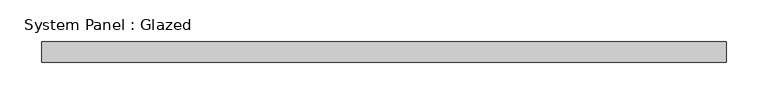
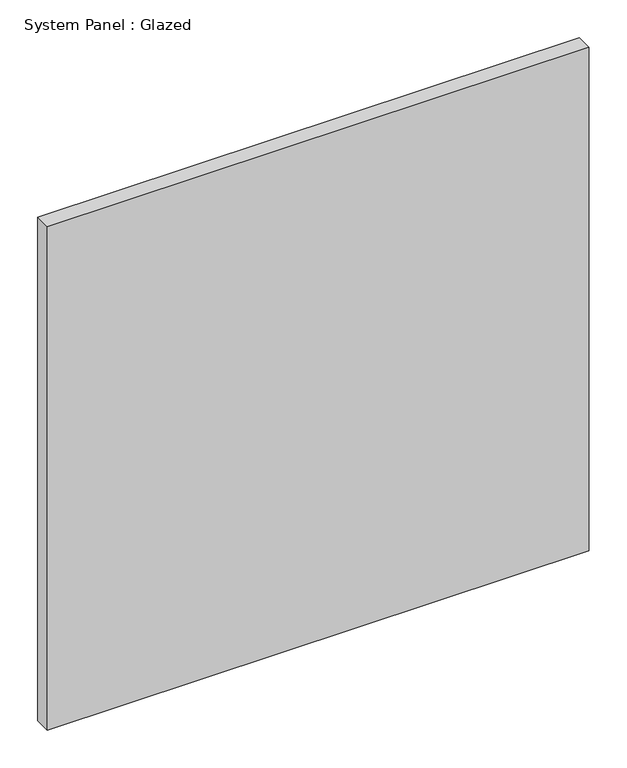
"""IFC4 building model written with IfcOpenShell, lengths in millimetres: plate geometry, System Panel : Glazed."""

from ifc_helpers import new_model, si_unit, origin, origin_with_axes, place, context, project, spatial, polyline, outline, extrude, source, transform, mapped, element, save


def system_panel_glazed_4f9328b2(model_context):
    return source(origin(), model_context, "Body", "SweptSolid", [
        extrude(outline(polyline([(412.5, -49.5), (-412.5, -49.5), (-412.5, -24.5), (412.5, -24.5), (412.5, -49.5)])), origin_with_axes(), (0.0, 0.0, 1.0), 810.0),
    ])


if __name__ == "__main__":
    model = new_model("IFC4")
    model_context = context("Model", 3, world=origin())
    ifc_project = project(units=[si_unit("LENGTHUNIT", "METRE", prefix="MILLI")], contexts=[model_context])
    site = spatial("IfcSite", under=ifc_project)
    building = spatial("IfcBuilding", under=site)
    placement = place(None, origin())
    system_panel_glazed_shape = system_panel_glazed_4f9328b2(model_context)
    element("IfcPlate", 1, ObjectType="System Panel : Glazed", at=placement, inside=building, context=model_context, shape_type="MappedRepresentation", body=[
        mapped(system_panel_glazed_shape, transform((0.0, 0.0, 0.0), x_axis=(1.0, 0.0, 0.0), y_axis=(0.0, 1.0, 0.0), z_axis=(0.0, 0.0, 1.0))),
    ])
    save(model, "model.ifc")
